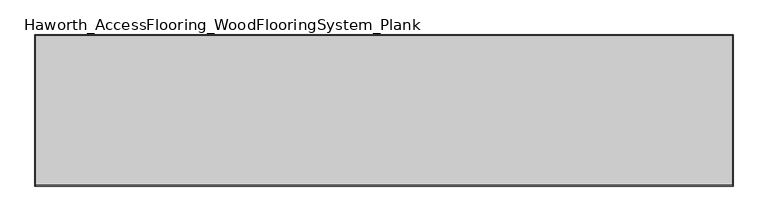
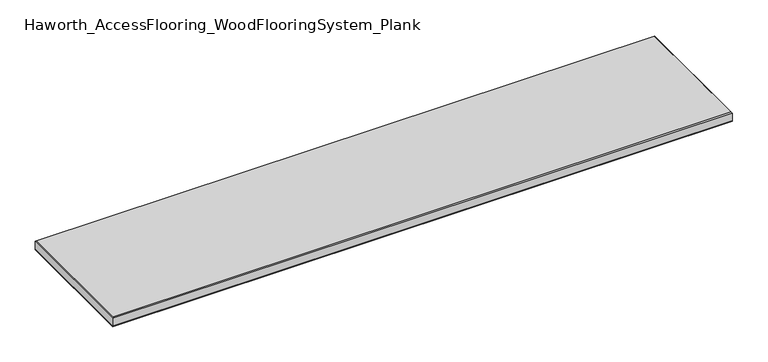
"""IFC4 building model written with IfcOpenShell, lengths in millimetres: proxy geometry, Haworth_AccessFlooring_WoodFlooringSystem_Plank."""

import ifcopenshell
import ifcopenshell.guid

model = None  # the IFC model being written
_history = None  # IfcOwnerHistory: only IFC2X3 demands one
_inside = {}  # id of a spatial element -> (the spatial element, [elements in it])
_under = {}  # id of a project, library or spatial element -> (it, [spatial elements below it])
_declared = {}  # id of a project -> (the project, [libraries it declares])
_typed = {}  # id of a type object -> (the type object, [elements of that type])
_made_of = {}  # id of a material, layer set ... -> (it, [elements and type objects made of it])


def new_model(schema):
    """Start an empty IFC model of exactly this schema.

    Asked for "IFC4X3", IfcOpenShell would pick the latest addendum, in which some entities
    have other attributes; the version numbers below select the first issue.
    IFC2X3 requires an IfcOwnerHistory on every rooted entity: one is made here for all.
    """
    global model, _history
    if schema == "IFC4X3":
        model = ifcopenshell.file(schema_version=(4, 3, 0, 0))
    else:
        model = ifcopenshell.file(schema=schema)
    _inside.clear()
    _under.clear()
    _declared.clear()
    _typed.clear()
    _made_of.clear()
    _history = None
    if model.schema == "IFC2X3":
        org = make("IfcOrganization", Name="unknown")
        user = make(
            "IfcPersonAndOrganization",
            ThePerson=make("IfcPerson", FamilyName="unknown"),
            TheOrganization=org,
        )
        app = make(
            "IfcApplication",
            ApplicationDeveloper=org,
            Version="unknown",
            ApplicationFullName="unknown",
            ApplicationIdentifier="unknown",
        )
        _history = make(
            "IfcOwnerHistory",
            OwningUser=user,
            OwningApplication=app,
            ChangeAction="ADDED",
            CreationDate=0,
        )
    return model


def make(cls, **values):
    """One entity of the class cls with the attributes given. An attribute that is None is left unset."""
    return model.create_entity(
        cls, **{name: value for name, value in values.items() if value is not None}
    )


def rooted(cls, **values):
    """An entity with a GlobalId (a new one), such as an element, a storey or a relation."""
    return make(cls, GlobalId=ifcopenshell.guid.new(), OwnerHistory=_history, **values)


def si_unit(unit_type, name, prefix=None):
    """IfcSIUnit, for example si_unit("LENGTHUNIT", "METRE", prefix="MILLI")."""
    return make("IfcSIUnit", UnitType=unit_type, Prefix=prefix, Name=name)


def assignment(units):
    """IfcUnitAssignment: the units of a project."""
    return None if units is None else make("IfcUnitAssignment", Units=units)


def point(xyz):
    """IfcCartesianPoint."""
    return None if xyz is None else make("IfcCartesianPoint", Coordinates=xyz)


def direction(xyz):
    """IfcDirection."""
    return None if xyz is None else make("IfcDirection", DirectionRatios=xyz)


def frame(location, z_axis=None, x_axis=None):
    """IfcAxis2Placement3D, a coordinate frame: its origin and axes. An axis left out is left unset."""
    return make(
        "IfcAxis2Placement3D",
        Location=point(location),
        Axis=direction(z_axis),
        RefDirection=direction(x_axis),
    )


def origin():
    """The frame at (0, 0, 0) with its axes left unset."""
    return frame((0.0, 0.0, 0.0))


def place(relative_to, where):
    """IfcLocalPlacement: puts the frame where relative to a parent placement (None: the world)."""
    return make(
        "IfcLocalPlacement", PlacementRelTo=relative_to, RelativePlacement=where
    )


def context(
    kind, dimensions, precision=None, world=None, true_north=None, identifier=None
):
    """IfcGeometricRepresentationContext, for example the 3D "Model" context."""
    return make(
        "IfcGeometricRepresentationContext",
        ContextIdentifier=identifier,
        ContextType=kind,
        CoordinateSpaceDimension=dimensions,
        Precision=precision,
        WorldCoordinateSystem=world,
        TrueNorth=true_north,
    )


def project(units=None, contexts=None):
    """IfcProject with its units and contexts."""
    return rooted(
        "IfcProject",
        Name="project",
        RepresentationContexts=contexts,
        UnitsInContext=assignment(units),
    )


def spatial(cls, under=None, at=None, **own):
    """A site, building, storey or space (cls), placed at a placement, below another one or the project."""
    s = rooted(cls, ObjectPlacement=at, **own)
    if under is not None:
        _under.setdefault(under.id(), (under, []))[1].append(s)
    return s


def polyline(points):
    """IfcPolyline through the points."""
    return make("IfcPolyline", Points=[point(p) for p in points])


def outline(outer, holes=None, kind="AREA"):
    """IfcArbitraryClosedProfileDef: a profile drawn as a closed curve; with holes, ...WithVoids."""
    if holes is None:
        return make("IfcArbitraryClosedProfileDef", ProfileType=kind, OuterCurve=outer)
    return make(
        "IfcArbitraryProfileDefWithVoids",
        ProfileType=kind,
        OuterCurve=outer,
        InnerCurves=holes,
    )


def extrude(swept, where, along, depth):
    """IfcExtrudedAreaSolid: the profile swept, set in the frame where, extruded along a direction by depth."""
    return make(
        "IfcExtrudedAreaSolid",
        SweptArea=swept,
        Position=where,
        ExtrudedDirection=direction(along),
        Depth=depth,
    )


def faces_of(points, faces, orient=None, outer=None):
    """IfcFace entities. A face is a list of loops; a loop is a list of indices into points, from 0.

    orient and outer hold one flag for each loop. By default every Orientation is true, the
    first loop of a face is its IfcFaceOuterBound and the others are IfcFaceBound.
    """
    made = []
    for i, loops in enumerate(faces):
        bounds = []
        for j, loop in enumerate(loops):
            is_outer = j == 0 if outer is None else outer[i][j]
            bounds.append(
                make(
                    "IfcFaceOuterBound" if is_outer else "IfcFaceBound",
                    Bound=make("IfcPolyLoop", Polygon=[points[k] for k in loop]),
                    Orientation=True if orient is None else orient[i][j],
                )
            )
        made.append(make("IfcFace", Bounds=bounds))
    return made


def faceted_brep(points, faces, orient=None, outer=None, voids=None):
    """IfcFacetedBrep: a solid bounded by flat faces; with voids (closed shells), ...WithVoids."""
    shared = [point(p) for p in points]
    hull = make("IfcClosedShell", CfsFaces=faces_of(shared, faces, orient, outer))
    if voids is None:
        return make("IfcFacetedBrep", Outer=hull)
    return make(
        "IfcFacetedBrepWithVoids",
        Outer=hull,
        Voids=[
            make(cls, CfsFaces=faces_of(shared, fs, o, b)) for cls, fs, o, b in voids
        ],
    )


def shape(context_of_items, identifier, shape_type, items):
    """IfcShapeRepresentation: the items that make up one representation, for example the "Body"."""
    return make(
        "IfcShapeRepresentation",
        ContextOfItems=context_of_items,
        RepresentationIdentifier=identifier,
        RepresentationType=shape_type,
        Items=items,
    )


def source(mapping_origin, context_of_items, identifier, shape_type, items):
    """IfcRepresentationMap: a shape defined once, which mapped items show again and again."""
    return make(
        "IfcRepresentationMap",
        MappingOrigin=mapping_origin,
        MappedRepresentation=shape(context_of_items, identifier, shape_type, items),
    )


def transform(
    local_origin,
    x_axis=None,
    y_axis=None,
    z_axis=None,
    scale=None,
    scale2=None,
    scale3=None,
    uniform=True,
):
    """IfcCartesianTransformationOperator3D, or its non-uniform kind. x_axis, y_axis, z_axis: its Axis1, 2, 3."""
    if uniform:
        return make(
            "IfcCartesianTransformationOperator3D",
            Axis1=direction(x_axis),
            Axis2=direction(y_axis),
            LocalOrigin=point(local_origin),
            Scale=scale,
            Axis3=direction(z_axis),
        )
    return make(
        "IfcCartesianTransformationOperator3DnonUniform",
        Axis1=direction(x_axis),
        Axis2=direction(y_axis),
        LocalOrigin=point(local_origin),
        Scale=scale,
        Axis3=direction(z_axis),
        Scale2=scale2,
        Scale3=scale3,
    )


def mapped(mapping_source, mapping_target):
    """IfcMappedItem: shows the shape of a source again, moved by a transform."""
    return make(
        "IfcMappedItem", MappingSource=mapping_source, MappingTarget=mapping_target
    )


def made_of(thing, what):
    """Note that an element or type object is made of a material, layer set ...; save() writes the relation."""
    if what is not None:
        _made_of.setdefault(what.id(), (what, []))[1].append(thing)
    return thing


def element(
    cls,
    number,
    at=None,
    inside=None,
    cuts=None,
    type_object=None,
    material=None,
    context=None,
    identifier="Body",
    shape_type=None,
    held_by="IfcProductDefinitionShape",
    body=None,
    shapes=None,
    **own,
):
    """One element of the class cls, such as IfcWall. Its Tag is "e" and its number.

    at: its placement. inside: the storey or other place that contains it. cuts: it is an
    opening in that element (IfcRelVoidsElement). A single representation is given by context,
    identifier, shape_type and body (its items); several are given by shapes. held_by: the class
    of the entity that holds the representations. save() writes the other relations.
    """
    e = rooted(cls, Tag="e%d" % number, ObjectPlacement=at, **own)
    if body is not None:
        shapes = [shape(context, identifier, shape_type, body)]
    if shapes is not None:
        e.Representation = make(held_by, Representations=shapes)
    if inside is not None:
        _inside.setdefault(inside.id(), (inside, []))[1].append(e)
    if cuts is not None:
        rooted(
            "IfcRelVoidsElement", RelatingBuildingElement=cuts, RelatedOpeningElement=e
        )
    if type_object is not None:
        _typed.setdefault(type_object.id(), (type_object, []))[1].append(e)
    return made_of(e, material)


def aggregate(whole, parts):
    """IfcRelAggregates: a whole, such as a stair, and the parts it consists of."""
    return rooted("IfcRelAggregates", RelatingObject=whole, RelatedObjects=parts)


def save(model, path):
    """Write the relations noted so far, then the file.

    IfcRelAggregates (storeys below a building ...), IfcRelContainedInSpatialStructure (elements
    in a storey), IfcRelDefinesByType, IfcRelAssociatesMaterial and IfcRelDeclares: one each for
    every whole, place, type object, material and project.
    """
    for whole, parts in _under.values():
        aggregate(whole, parts)
    for where, things in _inside.values():
        rooted(
            "IfcRelContainedInSpatialStructure",
            RelatedElements=things,
            RelatingStructure=where,
        )
    for kind, things in _typed.values():
        rooted("IfcRelDefinesByType", RelatedObjects=things, RelatingType=kind)
    for what, things in _made_of.values():
        rooted("IfcRelAssociatesMaterial", RelatedObjects=things, RelatingMaterial=what)
    for by, libraries in _declared.values():
        rooted("IfcRelDeclares", RelatingContext=by, RelatedDefinitions=libraries)
    model.write(path)


def haworth_accessflooring_woodflooringsystem_plank_9a92be97(model_context):
    return source(origin(), model_context, "Body", "SolidModel", [
        extrude(outline(polyline([(508.0, 109.9839844), (508.0, -109.9839844), (-508.0, -109.9839844), (-508.0, 109.9839844), (508.0, 109.9839844)])), frame((0.0, 0.0, -15.875), z_axis=(0.0, 0.0, 1.0), x_axis=(1.0, 0.0, 0.0)), (0.0, 0.0, 1.0), 0.9921875),
        faceted_brep([(508.0, 109.9839844, -14.8828125), (508.0, -109.9839844, -14.8828125), (-508.0, -109.9839844, -14.8828125), (-508.0, 109.9839844, -14.8828125), (-508.0, 109.9839844, -1.5875), (508.0, 109.9839844, -1.5875), (-508.0, -109.9839844, -1.5875), (508.0, -109.9839844, -1.5875), (506.4125, 108.3964844, 0.0), (-506.4125, 108.3964844, 0.0), (-506.4125, -108.3964844, 0.0), (506.4125, -108.3964844, 0.0)], [[[0, 1, 2, 3]], [[0, 3, 4, 5]], [[3, 2, 6, 4]], [[2, 1, 7, 6]], [[1, 0, 5, 7]], [[8, 9, 10, 11]], [[9, 8, 5, 4]], [[10, 9, 4, 6]], [[11, 10, 6, 7]], [[8, 11, 7, 5]]]),
    ])


if __name__ == "__main__":
    model = new_model("IFC4")
    model_context = context("Model", 3, world=origin())
    ifc_project = project(units=[si_unit("LENGTHUNIT", "METRE", prefix="MILLI")], contexts=[model_context])
    site = spatial("IfcSite", under=ifc_project)
    building = spatial("IfcBuilding", under=site)
    placement = place(None, origin())
    haworth_accessflooring_woodflooringsystem_plank_shape = haworth_accessflooring_woodflooringsystem_plank_9a92be97(model_context)
    element("IfcBuildingElementProxy", 1, Name="Haworth_AccessFlooring_WoodFlooringSystem_Plank", ObjectType="Haworth_AccessFlooring_WoodFlooringSystem_Plank", at=placement, inside=building, context=model_context, shape_type="MappedRepresentation", body=[
        mapped(haworth_accessflooring_woodflooringsystem_plank_shape, transform((0.0, 0.0, 0.0), x_axis=(1.0, 0.0, 0.0), y_axis=(0.0, 1.0, 0.0), z_axis=(0.0, 0.0, 1.0))),
    ])
    save(model, "model.ifc")
